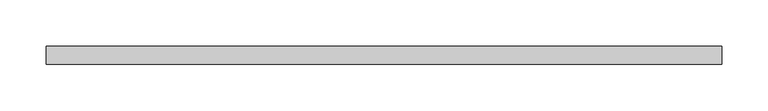
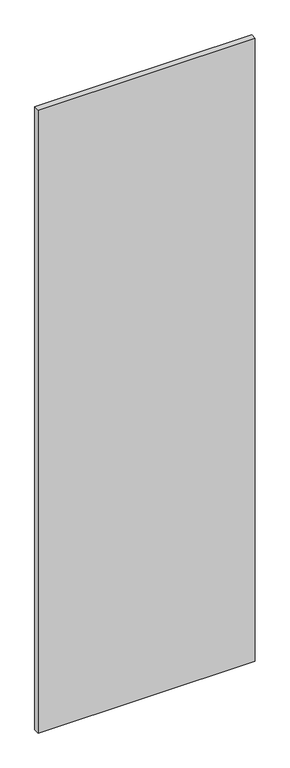
"""IFC4 building model written with IfcOpenShell, lengths in millimetres: proxy geometry."""

from ifc_helpers import new_model, si_unit, frame, origin, place, context, project, spatial, polyline, outline, extrude, source, transform, mapped, element, save


def specialty_equipment_22755f96(model_context):
    return source(origin(), model_context, "Body", "SweptSolid", [
        extrude(outline(polyline([(363.2454, 9.525), (363.2454, -9.525), (-363.2454, -9.525), (-363.2454, 9.525), (363.2454, 9.525)])), frame((0.0, 0.0, 3.175), z_axis=(0.0, 0.0, 1.0), x_axis=(1.0, 0.0, 0.0)), (0.0, 0.0, 1.0), 2203.45),
    ])


if __name__ == "__main__":
    model = new_model("IFC4")
    model_context = context("Model", 3, world=origin())
    ifc_project = project(units=[si_unit("LENGTHUNIT", "METRE", prefix="MILLI")], contexts=[model_context])
    site = spatial("IfcSite", under=ifc_project)
    building = spatial("IfcBuilding", under=site)
    placement = place(None, origin())
    specialty_equipment_shape = specialty_equipment_22755f96(model_context)
    element("IfcBuildingElementProxy", 1, Name="Specialty Equipment", at=placement, inside=building, context=model_context, shape_type="MappedRepresentation", body=[
        mapped(specialty_equipment_shape, transform((0.0, 0.0, 0.0), x_axis=(1.0, 0.0, 0.0), y_axis=(0.0, 1.0, 0.0), z_axis=(0.0, 0.0, 1.0))),
    ])
    save(model, "model.ifc")
